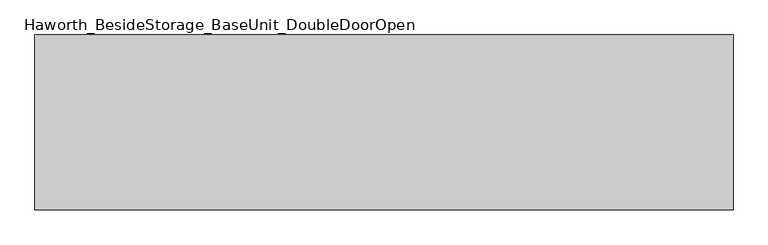
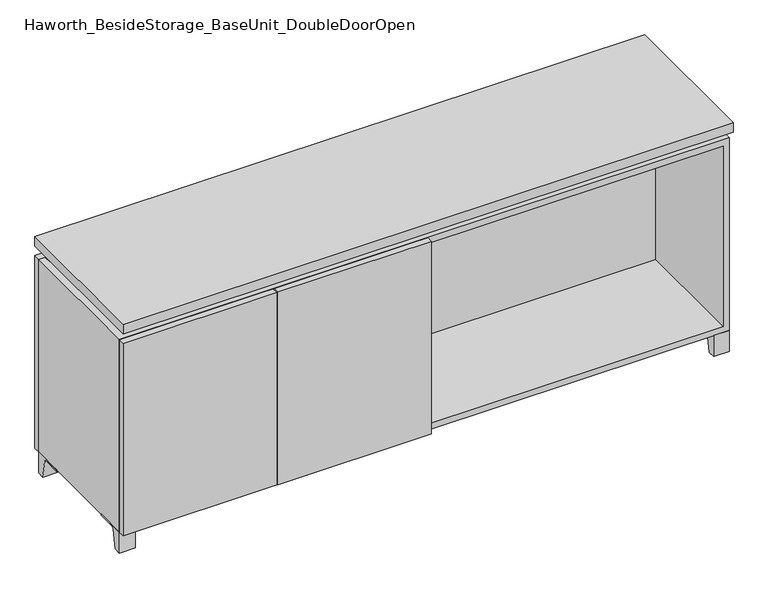
"""IFC4 building model written with IfcOpenShell, lengths in millimetres: furniture geometry, Haworth_BesideStorage_BaseUnit_DoubleDoorOpen."""

from ifc_helpers import new_model, si_unit, point, frame, frame_2d, origin, place, context, project, spatial, polyline, circle_curve, trimmed, segment, composite_curve, outline, extrude, faceted_brep, source, transform, mapped, element, save


def haworth_besidestorage_baseunit_doubledooropen_81acd0c8(model_context):
    return source(origin(), model_context, "Body", "SolidModel", [
        extrude(outline(composite_curve([segment(polyline([(44.9791531, 0.0), (22.225, 0.0), (22.225, 66.675), (117.475, 66.675), (117.475, 61.8963321), (60.6744655, 61.8963321)]), True, "CONTINUOUS"), segment(trimmed(circle_curve(frame_2d((60.6744655, 55.5463321)), 6.35), [point((60.6744655, 61.8963321))], [point((54.4108641, 56.5902656))], True, "CARTESIAN"), True, "CONTINUOUS"), segment(polyline([(54.4108641, 56.5902656), (44.9791531, 0.0)]), True, "CONTINUOUS")], self_intersect=False)), frame((-23.7986094, 0.0, 0.0), z_axis=(1.0, 0.0, 0.0), x_axis=(0.0, 1.0, 0.0)), (0.0, 0.0, 1.0), 47.625),
        extrude(outline(composite_curve([segment(polyline([(-123.2958469, 0.0), (-146.05, 0.0), (-146.05, 66.675), (-50.8, 66.675), (-50.8, 61.8963321), (-107.6005345, 61.8963321)]), True, "CONTINUOUS"), segment(trimmed(circle_curve(frame_2d((-107.6005345, 55.5463321)), 6.35), [point((-107.6005345, 61.8963321))], [point((-113.8641359, 56.5902656))], True, "CARTESIAN"), True, "CONTINUOUS"), segment(polyline([(-113.8641359, 56.5902656), (-123.2958469, 0.0)]), True, "CONTINUOUS")], self_intersect=False)), frame((865.2013906, 0.0, 0.0), z_axis=(1.0, 0.0, 0.0), x_axis=(0.0, 1.0, 0.0)), (0.0, 0.0, 1.0), 47.625),
        extrude(outline(composite_curve([segment(polyline([(250.2958469, 0.0), (240.8641359, 56.5902656)]), True, "CONTINUOUS"), segment(trimmed(circle_curve(frame_2d((234.6005345, 55.5463321)), 6.35), [point((240.8641359, 56.5902656))], [point((234.6005345, 61.8963321))], True, "CARTESIAN"), True, "CONTINUOUS"), segment(polyline([(234.6005345, 61.8963321), (177.8, 61.8963321), (177.8, 66.675), (273.05, 66.675), (273.05, 0.0), (250.2958469, 0.0)]), True, "CONTINUOUS")], self_intersect=False)), frame((865.2013906, 0.0, 0.0), z_axis=(1.0, 0.0, 0.0), x_axis=(0.0, 1.0, 0.0)), (0.0, 0.0, 1.0), 47.625),
        extrude(outline(composite_curve([segment(polyline([(-123.2958469, 0.0), (-146.05, 0.0), (-146.05, 66.675), (-50.8, 66.675), (-50.8, 61.8963321), (-107.6005345, 61.8963321)]), True, "CONTINUOUS"), segment(trimmed(circle_curve(frame_2d((-107.6005345, 55.5463321)), 6.35), [point((-107.6005345, 61.8963321))], [point((-113.8641359, 56.5902656))], True, "CARTESIAN"), True, "CONTINUOUS"), segment(polyline([(-113.8641359, 56.5902656), (-123.2958469, 0.0)]), True, "CONTINUOUS")], self_intersect=False)), frame((-912.7986094, 0.0, 0.0), z_axis=(1.0, 0.0, 0.0), x_axis=(0.0, 1.0, 0.0)), (0.0, 0.0, 1.0), 47.625),
        extrude(outline(composite_curve([segment(polyline([(250.2958469, 0.0), (240.8641359, 56.5902656)]), True, "CONTINUOUS"), segment(trimmed(circle_curve(frame_2d((234.6005345, 55.5463321)), 6.35), [point((240.8641359, 56.5902656))], [point((234.6005345, 61.8963321))], True, "CARTESIAN"), True, "CONTINUOUS"), segment(polyline([(234.6005345, 61.8963321), (177.8, 61.8963321), (177.8, 66.675), (273.05, 66.675), (273.05, 0.0), (250.2958469, 0.0)]), True, "CONTINUOUS")], self_intersect=False)), frame((-912.7986094, 0.0, 0.0), z_axis=(1.0, 0.0, 0.0), x_axis=(0.0, 1.0, 0.0)), (0.0, 0.0, 1.0), 47.625),
        faceted_brep([(-912.7986094, -146.05, 66.675), (912.8125, -146.05, 66.675), (912.8125, -146.05, 676.275), (-912.7986094, -146.05, 676.275), (-893.7486094, -146.05, 85.725), (-893.7486094, -146.05, 657.225), (893.7694453, -146.05, 657.225), (893.7486094, -146.05, 85.725), (-912.7986094, 273.05, 66.675), (-912.7986094, 273.05, 676.275), (-893.7486094, 273.05, 676.275), (-893.7486094, 273.05, 85.725), (893.7486094, 273.05, 85.725), (893.7486094, 273.05, 676.275), (912.8125, 273.05, 676.275), (912.8125, 273.05, 66.675), (893.7486094, 247.65, 676.275), (-893.7416641, 247.65, 676.275), (-893.7486094, 247.65, 657.225), (893.7486094, 247.65, 657.225)], [[[0, 1, 2, 3], [4, 5, 6, 7]], [[8, 9, 10, 11, 12, 13, 14, 15]], [[1, 0, 8, 15]], [[2, 1, 15, 14]], [[3, 2, 14, 13, 16, 17, 10, 9]], [[0, 3, 9, 8]], [[11, 10, 17, 18, 5, 4]], [[13, 12, 7, 6, 19, 16]], [[4, 7, 12, 11]], [[6, 5, 18, 19]], [[17, 16, 19, 18]]]),
        extrude(outline(polyline([(912.8263906, -165.1), (-912.7986094, -165.1), (-912.7986094, 292.1), (912.8263906, 292.1), (912.8263906, -165.1)])), frame((0.0, 0.0, 706.4375), z_axis=(0.0, 0.0, 1.0), x_axis=(1.0, 0.0, 0.0)), (0.0, 0.0, 1.0), 30.1625),
        faceted_brep([(7.9513906, -69.85, 706.4375), (7.9513906, -69.85, 676.275), (7.9513906, 53.975, 676.275), (7.9513906, 53.975, 706.4375), (7.9513906, 196.85, 676.275), (7.9513906, 196.85, 706.4375), (7.9513906, 73.025, 706.4375), (7.9513906, 73.025, 676.275), (-7.9236094, 196.85, 706.4375), (-7.9236094, 196.85, 676.275), (-7.9236094, 73.025, 676.275), (-7.9236094, 73.025, 706.4375), (-7.9236094, -69.85, 676.275), (-7.9236094, -69.85, 706.4375), (-7.9236094, 53.975, 706.4375), (-7.9236094, 53.975, 676.275), (-871.4958281, 73.025, 706.4375), (-871.5166641, 247.65, 706.4375), (-887.3916641, 247.65, 706.4375), (-887.3916641, -120.65, 706.4375), (-871.5166641, -120.65, 706.4375), (-871.5166641, 53.975, 706.4375), (871.5236094, 53.975, 706.4375), (871.5236094, -120.65, 706.4375), (887.3986094, -120.65, 706.4375), (887.3986094, 247.65, 706.4375), (871.5236094, 247.65, 706.4375), (871.5236094, 73.025, 706.4375), (-871.4958281, 53.975, 676.275), (-871.5166641, -120.65, 676.275), (-887.3916641, -120.65, 676.275), (-887.3916641, 247.65, 676.275), (-871.5166641, 247.65, 676.275), (-871.5166641, 73.025, 676.275), (871.5236094, 73.025, 676.275), (871.5236094, 247.65, 676.275), (887.3986094, 247.65, 676.275), (887.3986094, -120.65, 676.275), (871.5236094, -120.65, 676.275), (871.5236094, 53.975, 676.275)], [[[0, 1, 2, 3]], [[4, 5, 6, 7]], [[8, 9, 10, 11]], [[12, 13, 14, 15]], [[5, 8, 11, 16, 17, 18, 19, 20, 21, 14, 13, 0, 3, 22, 23, 24, 25, 26, 27, 6]], [[1, 12, 15, 28, 29, 30, 31, 32, 33, 10, 9, 4, 7, 34, 35, 36, 37, 38, 39, 2]], [[5, 4, 9, 8]], [[1, 0, 13, 12]], [[6, 27, 34, 7]], [[22, 3, 2, 39]], [[20, 29, 28, 21]], [[32, 17, 16, 33]], [[18, 31, 30, 19]], [[29, 20, 19, 30]], [[17, 32, 31, 18]], [[26, 35, 34, 27]], [[38, 23, 22, 39]], [[25, 24, 37, 36]], [[23, 38, 37, 24]], [[35, 26, 25, 36]], [[16, 11, 10, 33]], [[14, 21, 28, 15]]]),
        extrude(outline(polyline([(9.5388906, 203.2), (9.5388906, -146.05), (-9.5111094, -146.05), (-9.5111094, 203.2), (9.5388906, 203.2)])), frame((0.0, 0.0, 85.725), z_axis=(0.0, 0.0, 1.0), x_axis=(1.0, 0.0, 0.0)), (0.0, 0.0, 1.0), 571.5),
        extrude(outline(polyline([(912.8263906, 273.05), (-912.7986094, 273.05), (-912.7986094, 292.1), (912.8263906, 292.1), (912.8263906, 273.05)])), frame((0.0, 0.0, 66.675), z_axis=(0.0, 0.0, 1.0), x_axis=(1.0, 0.0, 0.0)), (0.0, 0.0, 1.0), 609.6),
        extrude(outline(polyline([(-893.7416641, 203.2), (-893.7416641, 209.55), (893.7694453, 209.55), (893.7694453, 203.2), (-893.7416641, 203.2)])), frame((0.0, 0.0, 85.725), z_axis=(0.0, 0.0, 1.0), x_axis=(1.0, 0.0, 0.0)), (0.0, 0.0, 1.0), 571.5),
        extrude(outline(polyline([(9.5388906, -165.1), (-450.0423594, -165.1), (-450.0423594, -146.05), (9.5388906, -146.05), (9.5388906, -165.1)])), frame((0.0, 0.0, 66.675), z_axis=(0.0, 0.0, 1.0), x_axis=(1.0, 0.0, 0.0)), (0.0, 0.0, 1.0), 609.6),
        extrude(outline(polyline([(-453.2173594, -165.1), (-912.7986094, -165.1), (-912.7986094, -146.05), (-453.2173594, -146.05), (-453.2173594, -165.1)])), frame((0.0, 0.0, 66.675), z_axis=(0.0, 0.0, 1.0), x_axis=(1.0, 0.0, 0.0)), (0.0, 0.0, 1.0), 609.6),
    ])


if __name__ == "__main__":
    model = new_model("IFC4")
    model_context = context("Model", 3, world=origin())
    ifc_project = project(units=[si_unit("LENGTHUNIT", "METRE", prefix="MILLI")], contexts=[model_context])
    site = spatial("IfcSite", under=ifc_project)
    building = spatial("IfcBuilding", under=site)
    placement = place(None, origin())
    haworth_besidestorage_baseunit_doubledooropen_shape = haworth_besidestorage_baseunit_doubledooropen_81acd0c8(model_context)
    element("IfcFurniture", 1, ObjectType="Haworth_BesideStorage_BaseUnit_DoubleDoorOpen", at=placement, inside=building, context=model_context, shape_type="MappedRepresentation", body=[
        mapped(haworth_besidestorage_baseunit_doubledooropen_shape, transform((0.0, 0.0, 0.0), x_axis=(1.0, 0.0, 0.0), y_axis=(0.0, 1.0, 0.0), z_axis=(0.0, 0.0, 1.0))),
    ])
    save(model, "model.ifc")
